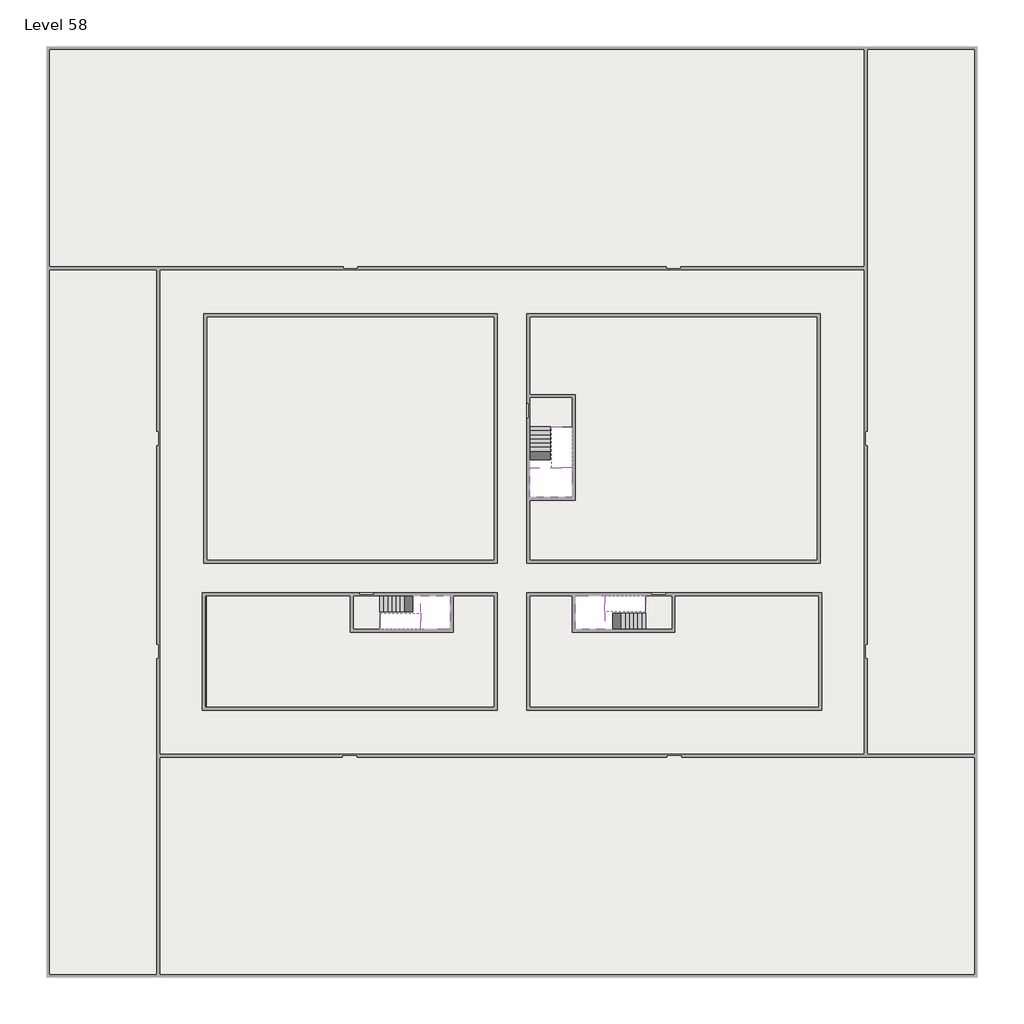
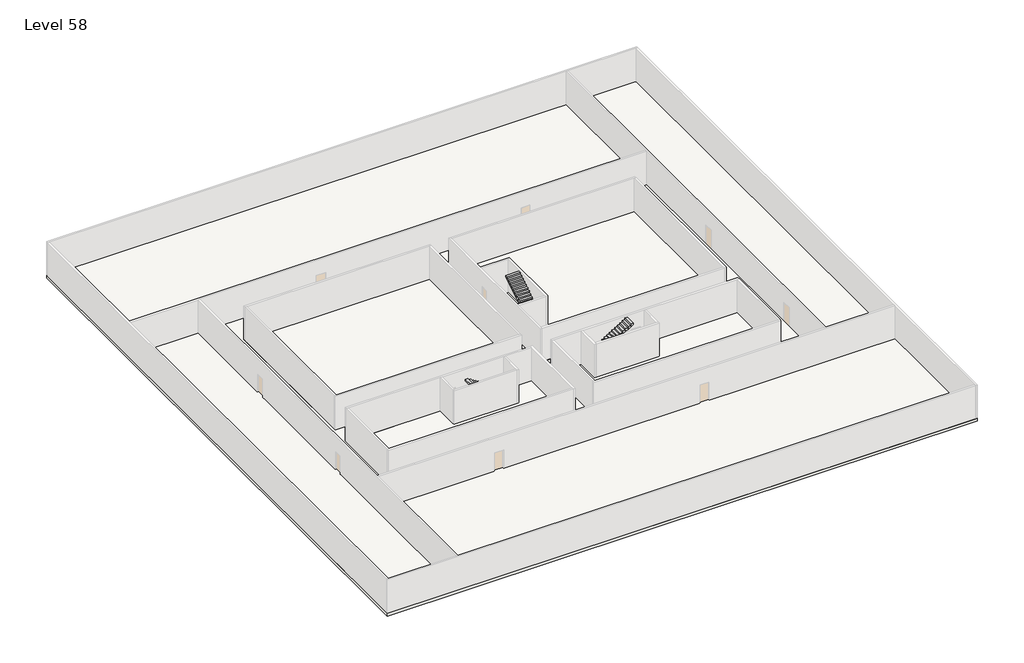
# One storey, part 2 of 2: 6 slabs, 6 stair flights.
"""IFC4 building model written with IfcOpenShell, lengths in millimetres."""

from ifc_helpers import new_model, si_unit, frame, origin, place, context, project, spatial, polyline, outline, extrude, faceted_brep, element, save

model = new_model("IFC4")

# Units and contexts
model_context = context("Model", 3, world=origin())
ifc_project = project(units=[si_unit("LENGTHUNIT", "METRE", prefix="MILLI")], contexts=[model_context])

# Site, building, storey
site = spatial("IfcSite", under=ifc_project)
building = spatial("IfcBuilding", under=site)
storey = spatial("IfcBuildingStorey", under=building, Name="Level 58", Elevation=216600.0)

# Slabs
placement = place(None, origin())
element("IfcSlab", 1, at=placement, inside=storey, context=model_context, shape_type="SweptSolid", body=[
    extrude(outline(polyline([(55890.1058784, -5518.09644), (55890.1058784, -68918.09644), (-7509.8941216, -68918.09644), (-7509.8941216, -5518.09644), (55890.1058784, -5518.09644)]), holes=[polyline([(23190.1058784, -23718.09644), (3190.1058784, -23718.09644), (3190.1058784, -40718.09644), (23190.1058784, -40718.09644), (23190.1058784, -23718.09644)]), polyline([(45190.1058784, -23718.09644), (25190.1058784, -23718.09644), (25190.1058784, -40718.09644), (45190.1058784, -40718.09644), (45190.1058784, -23718.09644)]), polyline([(23190.1058784, -50718.09644), (23190.1058784, -42718.09644), (3390.1058784, -42718.09644), (3390.1058784, -50718.09644), (23190.1058784, -50718.09644)]), polyline([(25190.1058784, -50718.09644), (45190.1058784, -50718.09644), (45190.1058784, -42718.09644), (25190.1058784, -42718.09644), (25190.1058784, -50718.09644)])]), frame((0.0, 0.0, 216300.0), z_axis=(0.0, 0.0, 1.0), x_axis=(1.0, 0.0, 0.0)), (0.0, 0.0, 1.0), 300.0),
])
element("IfcSlab", 2, at=placement, inside=storey, context=model_context, shape_type="Brep", body=[
    faceted_brep([(26790.1058784, -34218.09644, 218500.0), (25390.1058784, -34218.09644, 218500.0), (25390.1058784, -34297.4828763, 218500.0), (25390.1058784, -36218.09644, 218500.0), (28290.1058784, -36218.09644, 218500.0), (28290.1058784, -34418.7100038, 218500.0), (28290.1058784, -34218.09644, 218500.0), (26890.1058784, -34218.09644, 218500.0), (26790.1058784, -34218.09644, 218200.0), (26790.1058784, -34218.09644, 218151.0278478), (25390.1058784, -34218.09644, 218151.0278478), (25390.1058784, -34218.09644, 218327.2727273), (25390.1058784, -34297.4828763, 218200.0), (25390.1058784, -36218.09644, 218200.0), (28290.1058784, -36218.09644, 218200.0), (28290.1058784, -34418.7100038, 218200.0), (28290.1058784, -34218.09644, 218323.7551205), (26890.1058784, -34218.09644, 218323.7551205), (26890.1058784, -34218.09644, 218200.0), (26890.1058784, -34418.7100038, 218200.0), (26790.1058784, -34297.4828763, 218200.0)], [[[0, 1, 2, 3, 4, 5, 6, 7]], [[1, 0, 8, 9, 10, 11]], [[1, 11, 10, 12, 13, 3, 2]], [[4, 3, 13, 14]], [[4, 14, 15, 16, 6, 5]], [[7, 6, 16, 17]], [[0, 7, 17, 18, 8]], [[18, 19, 15, 14, 13, 12, 20, 8]], [[19, 18, 17]], [[20, 12, 10, 9]], [[8, 20, 9]], [[15, 19, 17, 16]]]),
])
element("IfcSlab", 3, at=placement, inside=storey, context=model_context, shape_type="SweptSolid", body=[
    extrude(outline(polyline([(22990.1058784, -23918.09644), (22990.1058784, -40518.09644), (3390.1058784, -40518.09644), (3390.1058784, -23918.09644), (22990.1058784, -23918.09644)])), frame((0.0, 0.0, 216300.0), z_axis=(0.0, 0.0, 1.0), x_axis=(1.0, 0.0, 0.0)), (0.0, 0.0, 1.0), 300.0),
    extrude(outline(polyline([(44990.1058784, -23918.09644), (44990.1058784, -40518.09644), (25390.1058784, -40518.09644), (25390.1058784, -36418.09644), (28490.1058784, -36418.09644), (28490.1058784, -29218.09644), (25390.1058784, -29218.09644), (25390.1058784, -23918.09644), (44990.1058784, -23918.09644)])), frame((0.0, 0.0, 216300.0), z_axis=(0.0, 0.0, 1.0), x_axis=(1.0, 0.0, 0.0)), (0.0, 0.0, 1.0), 300.0),
    extrude(outline(polyline([(22990.1058784, -42918.09644), (22990.1058784, -50518.09644), (3390.1058784, -50518.09644), (3390.1058784, -42918.09644), (13190.1058784, -42918.09644), (13190.1058784, -45418.09644), (20190.1058784, -45418.09644), (20190.1058784, -42918.09644), (22990.1058784, -42918.09644)])), frame((0.0, 0.0, 216300.0), z_axis=(0.0, 0.0, 1.0), x_axis=(1.0, 0.0, 0.0)), (0.0, 0.0, 1.0), 300.0),
    extrude(outline(polyline([(28290.1058784, -42918.09644), (28290.1058784, -45418.09644), (35290.1058784, -45418.09644), (35290.1058784, -42918.09644), (45090.1058784, -42918.09644), (45090.1058784, -50518.09644), (25390.1058784, -50518.09644), (25390.1058784, -42918.09644), (28290.1058784, -42918.09644)])), frame((0.0, 0.0, 216300.0), z_axis=(0.0, 0.0, 1.0), x_axis=(1.0, 0.0, 0.0)), (0.0, 0.0, 1.0), 300.0),
])
element("IfcSlab", 4, at=placement, inside=storey, context=model_context, shape_type="Brep", body=[
    faceted_brep([(30490.1058784, -45218.09644, 218500.0), (30490.1058784, -44118.09644, 218500.0), (30490.1058784, -44018.09644, 218500.0), (30490.1058784, -42918.09644, 218500.0), (30289.4923146, -42918.09644, 218500.0), (28490.1058784, -42918.09644, 218500.0), (28490.1058784, -45218.09644, 218500.0), (30410.7194421, -45218.09644, 218500.0), (30490.1058784, -45218.09644, 218327.2727273), (30490.1058784, -45218.09644, 218151.0278478), (30490.1058784, -44118.09644, 218151.0278478), (30490.1058784, -44118.09644, 218200.0), (30490.1058784, -44018.09644, 218200.0), (30490.1058784, -44018.09644, 218323.7551205), (30490.1058784, -42918.09644, 218323.7551205), (30289.4923146, -42918.09644, 218200.0), (28490.1058784, -42918.09644, 218200.0), (28490.1058784, -45218.09644, 218200.0), (30410.7194421, -45218.09644, 218200.0), (30289.4923146, -44018.09644, 218200.0), (30410.7194421, -44118.09644, 218200.0)], [[[0, 1, 2, 3, 4, 5, 6, 7]], [[1, 0, 8, 9, 10, 11]], [[2, 1, 11, 12, 13]], [[3, 2, 13, 14]], [[3, 14, 15, 16, 5, 4]], [[6, 5, 16, 17]], [[9, 8, 0, 7, 6, 17, 18]], [[19, 12, 11, 20, 18, 17, 16, 15]], [[12, 19, 13]], [[18, 20, 10, 9]], [[20, 11, 10]], [[19, 15, 14, 13]]]),
])
element("IfcSlab", 5, at=placement, inside=storey, context=model_context, shape_type="Brep", body=[
    faceted_brep([(17990.1058784, -42918.09644, 218500.0), (17990.1058784, -44018.09644, 218500.0), (17990.1058784, -44118.09644, 218500.0), (17990.1058784, -45218.09644, 218500.0), (18190.7194421, -45218.09644, 218500.0), (19990.1058784, -45218.09644, 218500.0), (19990.1058784, -42918.09644, 218500.0), (18069.4923146, -42918.09644, 218500.0), (17990.1058784, -42918.09644, 218327.2727273), (17990.1058784, -42918.09644, 218151.0278478), (17990.1058784, -44018.09644, 218151.0278478), (17990.1058784, -44018.09644, 218200.0), (17990.1058784, -44118.09644, 218200.0), (17990.1058784, -44118.09644, 218323.7551205), (17990.1058784, -45218.09644, 218323.7551205), (18190.7194421, -45218.09644, 218200.0), (19990.1058784, -45218.09644, 218200.0), (19990.1058784, -42918.09644, 218200.0), (18069.4923146, -42918.09644, 218200.0), (18190.7194421, -44118.09644, 218200.0), (18069.4923146, -44018.09644, 218200.0)], [[[0, 1, 2, 3, 4, 5, 6, 7]], [[1, 0, 8, 9, 10, 11]], [[2, 1, 11, 12, 13]], [[3, 2, 13, 14]], [[3, 14, 15, 16, 5, 4]], [[6, 5, 16, 17]], [[9, 8, 0, 7, 6, 17, 18]], [[19, 12, 11, 20, 18, 17, 16, 15]], [[12, 19, 13]], [[18, 20, 10, 9]], [[20, 11, 10]], [[19, 15, 14, 13]]]),
])
element("IfcSlab", 6, at=placement, inside=storey, context=model_context, shape_type="SweptSolid", body=[
    extrude(outline(polyline([(25190.1058784, -29418.09644), (28290.1058784, -29418.09644), (28290.1058784, -31418.09644), (25190.1058784, -31418.09644), (25190.1058784, -29418.09644)])), frame((0.0, 0.0, 216300.0), z_axis=(0.0, 0.0, 1.0), x_axis=(1.0, 0.0, 0.0)), (0.0, 0.0, 1.0), 300.0),
    extrude(outline(polyline([(15190.1058784, -45218.09644), (13390.1058784, -45218.09644), (13390.1058784, -42718.09644), (15190.1058784, -42718.09644), (15190.1058784, -45218.09644)])), frame((0.0, 0.0, 216300.0), z_axis=(0.0, 0.0, 1.0), x_axis=(1.0, 0.0, 0.0)), (0.0, 0.0, 1.0), 300.0),
    extrude(outline(polyline([(35090.1058784, -45218.09644), (33290.1058784, -45218.09644), (33290.1058784, -42718.09644), (35090.1058784, -42718.09644), (35090.1058784, -45218.09644)])), frame((0.0, 0.0, 216300.0), z_axis=(0.0, 0.0, 1.0), x_axis=(1.0, 0.0, 0.0)), (0.0, 0.0, 1.0), 300.0),
])

# Stair flights
element("IfcStairFlight", 7, at=placement, inside=storey, context=model_context, shape_type="Brep", body=[
    faceted_brep([(26790.1058784, -31698.09644, 216772.7272727), (26790.1058784, -31418.09644, 216772.7272727), (25390.1058784, -31418.09644, 216772.7272727), (25390.1058784, -31698.09644, 216772.7272727), (26790.1058784, -31698.09644, 216600.0), (26790.1058784, -31418.09644, 216600.0), (25390.1058784, -31418.09644, 216600.0), (25390.1058784, -31698.09644, 216600.0), (26790.1058784, -31978.09644, 216945.4545455), (26790.1058784, -31698.09644, 216945.4545455), (25390.1058784, -31698.09644, 216945.4545455), (25390.1058784, -31978.09644, 216945.4545455), (26790.1058784, -31978.09644, 216769.209666), (26790.1058784, -31703.7986657, 216600.0), (25390.1058784, -31703.7986657, 216600.0), (25390.1058784, -31978.09644, 216769.209666), (26790.1058784, -32258.09644, 217118.1818182), (26790.1058784, -31978.09644, 217118.1818182), (25390.1058784, -31978.09644, 217118.1818182), (25390.1058784, -32258.09644, 217118.1818182), (26790.1058784, -32258.09644, 216941.9369387), (25390.1058784, -32258.09644, 216941.9369387), (26790.1058784, -32538.09644, 217290.9090909), (26790.1058784, -32258.09644, 217290.9090909), (25390.1058784, -32258.09644, 217290.9090909), (25390.1058784, -32538.09644, 217290.9090909), (26790.1058784, -32538.09644, 217114.6642114), (25390.1058784, -32538.09644, 217114.6642114), (26790.1058784, -32818.09644, 217463.6363636), (26790.1058784, -32538.09644, 217463.6363636), (25390.1058784, -32538.09644, 217463.6363636), (25390.1058784, -32818.09644, 217463.6363636), (26790.1058784, -32818.09644, 217287.3914841), (25390.1058784, -32818.09644, 217287.3914841), (26790.1058784, -33098.09644, 217636.3636364), (26790.1058784, -32818.09644, 217636.3636364), (25390.1058784, -32818.09644, 217636.3636364), (25390.1058784, -33098.09644, 217636.3636364), (26790.1058784, -33098.09644, 217460.1187569), (25390.1058784, -33098.09644, 217460.1187569), (26790.1058784, -33378.09644, 217809.0909091), (26790.1058784, -33098.09644, 217809.0909091), (25390.1058784, -33098.09644, 217809.0909091), (25390.1058784, -33378.09644, 217809.0909091), (26790.1058784, -33378.09644, 217632.8460296), (25390.1058784, -33378.09644, 217632.8460296), (26790.1058784, -33658.09644, 217981.8181818), (26790.1058784, -33378.09644, 217981.8181818), (25390.1058784, -33378.09644, 217981.8181818), (25390.1058784, -33658.09644, 217981.8181818), (26790.1058784, -33658.09644, 217805.5733023), (25390.1058784, -33658.09644, 217805.5733023), (26790.1058784, -33938.09644, 218154.5454545), (26790.1058784, -33658.09644, 218154.5454545), (25390.1058784, -33658.09644, 218154.5454545), (25390.1058784, -33938.09644, 218154.5454545), (26790.1058784, -33938.09644, 217978.3005751), (25390.1058784, -33938.09644, 217978.3005751), (26790.1058784, -34218.09644, 218327.2727273), (26790.1058784, -33938.09644, 218327.2727273), (25390.1058784, -33938.09644, 218327.2727273), (25390.1058784, -34218.09644, 218327.2727273), (26790.1058784, -34218.09644, 218200.0), (26790.1058784, -34218.09644, 218151.0278478), (25390.1058784, -34218.09644, 218151.0278478)], [[[0, 1, 2, 3]], [[1, 0, 4, 5]], [[2, 1, 5, 6]], [[3, 2, 6, 7]], [[8, 9, 10, 11]], [[4, 0, 9, 8, 12, 13]], [[0, 3, 10, 9]], [[3, 7, 14, 15, 11, 10]], [[16, 17, 18, 19]], [[17, 16, 20, 12, 8]], [[8, 11, 18, 17]], [[19, 18, 11, 15, 21]], [[22, 23, 24, 25]], [[23, 22, 26, 20, 16]], [[16, 19, 24, 23]], [[25, 24, 19, 21, 27]], [[28, 29, 30, 31]], [[29, 28, 32, 26, 22]], [[22, 25, 30, 29]], [[31, 30, 25, 27, 33]], [[34, 35, 36, 37]], [[35, 34, 38, 32, 28]], [[28, 31, 36, 35]], [[37, 36, 31, 33, 39]], [[40, 41, 42, 43]], [[41, 40, 44, 38, 34]], [[34, 37, 42, 41]], [[43, 42, 37, 39, 45]], [[46, 47, 48, 49]], [[47, 46, 50, 44, 40]], [[40, 43, 48, 47]], [[49, 48, 43, 45, 51]], [[52, 53, 54, 55]], [[53, 52, 56, 50, 46]], [[46, 49, 54, 53]], [[55, 54, 49, 51, 57]], [[58, 59, 60, 61]], [[59, 58, 62, 63, 56, 52]], [[52, 55, 60, 59]], [[61, 60, 55, 57, 64]], [[58, 61, 64, 63, 62]], [[5, 4, 13, 14, 7, 6]], [[14, 13, 12, 20, 26, 32, 38, 44, 50, 56, 63, 64, 57, 51, 45, 39, 33, 27, 21, 15]]]),
])
element("IfcStairFlight", 8, at=placement, inside=storey, context=model_context, shape_type="Brep", body=[
    faceted_brep([(26890.1058784, -33938.09644, 218672.7272727), (26890.1058784, -34218.09644, 218672.7272727), (28290.1058784, -34218.09644, 218672.7272727), (28290.1058784, -33938.09644, 218672.7272727), (26890.1058784, -33938.09644, 218496.4823932), (26890.1058784, -34218.09644, 218323.7551205), (28290.1058784, -34218.09644, 218323.7551205), (28290.1058784, -34218.09644, 218500.0), (28290.1058784, -33938.09644, 218496.4823932), (26890.1058784, -33658.09644, 218845.4545455), (26890.1058784, -33938.09644, 218845.4545455), (28290.1058784, -33938.09644, 218845.4545455), (28290.1058784, -33658.09644, 218845.4545455), (26890.1058784, -33658.09644, 218669.209666), (28290.1058784, -33658.09644, 218669.209666), (26890.1058784, -33378.09644, 219018.1818182), (26890.1058784, -33658.09644, 219018.1818182), (28290.1058784, -33658.09644, 219018.1818182), (28290.1058784, -33378.09644, 219018.1818182), (26890.1058784, -33378.09644, 218841.9369387), (28290.1058784, -33378.09644, 218841.9369387), (26890.1058784, -33098.09644, 219190.9090909), (26890.1058784, -33378.09644, 219190.9090909), (28290.1058784, -33378.09644, 219190.9090909), (28290.1058784, -33098.09644, 219190.9090909), (26890.1058784, -33098.09644, 219014.6642114), (28290.1058784, -33098.09644, 219014.6642114), (26890.1058784, -32818.09644, 219363.6363636), (26890.1058784, -33098.09644, 219363.6363636), (28290.1058784, -33098.09644, 219363.6363636), (28290.1058784, -32818.09644, 219363.6363636), (26890.1058784, -32818.09644, 219187.3914841), (28290.1058784, -32818.09644, 219187.3914841), (26890.1058784, -32538.09644, 219536.3636364), (26890.1058784, -32818.09644, 219536.3636364), (28290.1058784, -32818.09644, 219536.3636364), (28290.1058784, -32538.09644, 219536.3636364), (26890.1058784, -32538.09644, 219360.1187569), (28290.1058784, -32538.09644, 219360.1187569), (26890.1058784, -32258.09644, 219709.0909091), (26890.1058784, -32538.09644, 219709.0909091), (28290.1058784, -32538.09644, 219709.0909091), (28290.1058784, -32258.09644, 219709.0909091), (26890.1058784, -32258.09644, 219532.8460296), (28290.1058784, -32258.09644, 219532.8460296), (26890.1058784, -31978.09644, 219881.8181818), (26890.1058784, -32258.09644, 219881.8181818), (28290.1058784, -32258.09644, 219881.8181818), (28290.1058784, -31978.09644, 219881.8181818), (26890.1058784, -31978.09644, 219705.5733023), (28290.1058784, -31978.09644, 219705.5733023), (26890.1058784, -31698.09644, 220054.5454545), (26890.1058784, -31978.09644, 220054.5454545), (28290.1058784, -31978.09644, 220054.5454545), (28290.1058784, -31698.09644, 220054.5454545), (26890.1058784, -31698.09644, 219878.3005751), (28290.1058784, -31698.09644, 219878.3005751), (26890.1058784, -31418.09644, 220227.2727273), (26890.1058784, -31698.09644, 220227.2727273), (28290.1058784, -31698.09644, 220227.2727273), (28290.1058784, -31418.09644, 220227.2727273), (26890.1058784, -31418.09644, 220051.0278478), (28290.1058784, -31418.09644, 220051.0278478)], [[[0, 1, 2, 3]], [[1, 0, 4, 5]], [[2, 1, 5, 6, 7]], [[3, 2, 7, 6, 8]], [[9, 10, 11, 12]], [[10, 9, 13, 4, 0]], [[11, 10, 0, 3]], [[12, 11, 3, 8, 14]], [[15, 16, 17, 18]], [[16, 15, 19, 13, 9]], [[17, 16, 9, 12]], [[18, 17, 12, 14, 20]], [[21, 22, 23, 24]], [[22, 21, 25, 19, 15]], [[23, 22, 15, 18]], [[24, 23, 18, 20, 26]], [[27, 28, 29, 30]], [[28, 27, 31, 25, 21]], [[29, 28, 21, 24]], [[30, 29, 24, 26, 32]], [[33, 34, 35, 36]], [[34, 33, 37, 31, 27]], [[35, 34, 27, 30]], [[36, 35, 30, 32, 38]], [[39, 40, 41, 42]], [[40, 39, 43, 37, 33]], [[41, 40, 33, 36]], [[42, 41, 36, 38, 44]], [[45, 46, 47, 48]], [[46, 45, 49, 43, 39]], [[47, 46, 39, 42]], [[48, 47, 42, 44, 50]], [[51, 52, 53, 54]], [[52, 51, 55, 49, 45]], [[53, 52, 45, 48]], [[54, 53, 48, 50, 56]], [[57, 58, 59, 60]], [[58, 57, 61, 55, 51]], [[59, 58, 51, 54]], [[60, 59, 54, 56, 62]], [[57, 60, 62, 61]], [[5, 4, 13, 19, 25, 31, 37, 43, 49, 55, 61, 62, 56, 50, 44, 38, 32, 26, 20, 14, 8, 6]]]),
])
element("IfcStairFlight", 9, at=placement, inside=storey, context=model_context, shape_type="Brep", body=[
    faceted_brep([(33010.1058784, -45218.09644, 216772.7272727), (33290.1058784, -45218.09644, 216772.7272727), (33290.1058784, -44118.09644, 216772.7272727), (33010.1058784, -44118.09644, 216772.7272727), (33010.1058784, -45218.09644, 216600.0), (33290.1058784, -45218.09644, 216600.0), (33290.1058784, -44118.09644, 216600.0), (33010.1058784, -44118.09644, 216600.0), (32730.1058784, -45218.09644, 216945.4545455), (33010.1058784, -45218.09644, 216945.4545455), (33010.1058784, -44118.09644, 216945.4545455), (32730.1058784, -44118.09644, 216945.4545455), (32730.1058784, -45218.09644, 216769.209666), (33004.4036527, -45218.09644, 216600.0), (33004.4036527, -44118.09644, 216600.0), (32730.1058784, -44118.09644, 216769.209666), (32450.1058784, -45218.09644, 217118.1818182), (32730.1058784, -45218.09644, 217118.1818182), (32730.1058784, -44118.09644, 217118.1818182), (32450.1058784, -44118.09644, 217118.1818182), (32450.1058784, -45218.09644, 216941.9369387), (32450.1058784, -44118.09644, 216941.9369387), (32170.1058784, -45218.09644, 217290.9090909), (32450.1058784, -45218.09644, 217290.9090909), (32450.1058784, -44118.09644, 217290.9090909), (32170.1058784, -44118.09644, 217290.9090909), (32170.1058784, -45218.09644, 217114.6642114), (32170.1058784, -44118.09644, 217114.6642114), (31890.1058784, -45218.09644, 217463.6363636), (32170.1058784, -45218.09644, 217463.6363636), (32170.1058784, -44118.09644, 217463.6363636), (31890.1058784, -44118.09644, 217463.6363636), (31890.1058784, -45218.09644, 217287.3914841), (31890.1058784, -44118.09644, 217287.3914841), (31610.1058784, -45218.09644, 217636.3636364), (31890.1058784, -45218.09644, 217636.3636364), (31890.1058784, -44118.09644, 217636.3636364), (31610.1058784, -44118.09644, 217636.3636364), (31610.1058784, -45218.09644, 217460.1187569), (31610.1058784, -44118.09644, 217460.1187569), (31330.1058784, -45218.09644, 217809.0909091), (31610.1058784, -45218.09644, 217809.0909091), (31610.1058784, -44118.09644, 217809.0909091), (31330.1058784, -44118.09644, 217809.0909091), (31330.1058784, -45218.09644, 217632.8460296), (31330.1058784, -44118.09644, 217632.8460296), (31050.1058784, -45218.09644, 217981.8181818), (31330.1058784, -45218.09644, 217981.8181818), (31330.1058784, -44118.09644, 217981.8181818), (31050.1058784, -44118.09644, 217981.8181818), (31050.1058784, -45218.09644, 217805.5733023), (31050.1058784, -44118.09644, 217805.5733023), (30770.1058784, -45218.09644, 218154.5454545), (31050.1058784, -45218.09644, 218154.5454545), (31050.1058784, -44118.09644, 218154.5454545), (30770.1058784, -44118.09644, 218154.5454545), (30770.1058784, -45218.09644, 217978.3005751), (30770.1058784, -44118.09644, 217978.3005751), (30490.1058784, -45218.09644, 218327.2727273), (30770.1058784, -45218.09644, 218327.2727273), (30770.1058784, -44118.09644, 218327.2727273), (30490.1058784, -44118.09644, 218327.2727273), (30490.1058784, -45218.09644, 218151.0278478), (30490.1058784, -44118.09644, 218151.0278478), (30490.1058784, -44118.09644, 218200.0)], [[[0, 1, 2, 3]], [[1, 0, 4, 5]], [[2, 1, 5, 6]], [[3, 2, 6, 7]], [[8, 9, 10, 11]], [[4, 0, 9, 8, 12, 13]], [[0, 3, 10, 9]], [[3, 7, 14, 15, 11, 10]], [[16, 17, 18, 19]], [[17, 16, 20, 12, 8]], [[8, 11, 18, 17]], [[19, 18, 11, 15, 21]], [[22, 23, 24, 25]], [[23, 22, 26, 20, 16]], [[16, 19, 24, 23]], [[25, 24, 19, 21, 27]], [[28, 29, 30, 31]], [[29, 28, 32, 26, 22]], [[22, 25, 30, 29]], [[31, 30, 25, 27, 33]], [[34, 35, 36, 37]], [[35, 34, 38, 32, 28]], [[28, 31, 36, 35]], [[37, 36, 31, 33, 39]], [[40, 41, 42, 43]], [[41, 40, 44, 38, 34]], [[34, 37, 42, 41]], [[43, 42, 37, 39, 45]], [[46, 47, 48, 49]], [[47, 46, 50, 44, 40]], [[40, 43, 48, 47]], [[49, 48, 43, 45, 51]], [[52, 53, 54, 55]], [[53, 52, 56, 50, 46]], [[46, 49, 54, 53]], [[55, 54, 49, 51, 57]], [[58, 59, 60, 61]], [[59, 58, 62, 56, 52]], [[52, 55, 60, 59]], [[61, 60, 55, 57, 63, 64]], [[58, 61, 64, 63, 62]], [[5, 4, 13, 14, 7, 6]], [[14, 13, 12, 20, 26, 32, 38, 44, 50, 56, 62, 63, 57, 51, 45, 39, 33, 27, 21, 15]]]),
])
element("IfcStairFlight", 10, at=placement, inside=storey, context=model_context, shape_type="Brep", body=[
    faceted_brep([(30770.1058784, -42918.09644, 218672.7272727), (30490.1058784, -42918.09644, 218672.7272727), (30490.1058784, -44018.09644, 218672.7272727), (30770.1058784, -44018.09644, 218672.7272727), (30770.1058784, -42918.09644, 218496.4823932), (30490.1058784, -42918.09644, 218323.7551205), (30490.1058784, -42918.09644, 218500.0), (30490.1058784, -44018.09644, 218323.7551205), (30770.1058784, -44018.09644, 218496.4823932), (31050.1058784, -42918.09644, 218845.4545455), (30770.1058784, -42918.09644, 218845.4545455), (30770.1058784, -44018.09644, 218845.4545455), (31050.1058784, -44018.09644, 218845.4545455), (31050.1058784, -42918.09644, 218669.209666), (31050.1058784, -44018.09644, 218669.209666), (31330.1058784, -42918.09644, 219018.1818182), (31050.1058784, -42918.09644, 219018.1818182), (31050.1058784, -44018.09644, 219018.1818182), (31330.1058784, -44018.09644, 219018.1818182), (31330.1058784, -42918.09644, 218841.9369387), (31330.1058784, -44018.09644, 218841.9369387), (31610.1058784, -42918.09644, 219190.9090909), (31330.1058784, -42918.09644, 219190.9090909), (31330.1058784, -44018.09644, 219190.9090909), (31610.1058784, -44018.09644, 219190.9090909), (31610.1058784, -42918.09644, 219014.6642114), (31610.1058784, -44018.09644, 219014.6642114), (31890.1058784, -42918.09644, 219363.6363636), (31610.1058784, -42918.09644, 219363.6363636), (31610.1058784, -44018.09644, 219363.6363636), (31890.1058784, -44018.09644, 219363.6363636), (31890.1058784, -42918.09644, 219187.3914841), (31890.1058784, -44018.09644, 219187.3914841), (32170.1058784, -42918.09644, 219536.3636364), (31890.1058784, -42918.09644, 219536.3636364), (31890.1058784, -44018.09644, 219536.3636364), (32170.1058784, -44018.09644, 219536.3636364), (32170.1058784, -42918.09644, 219360.1187569), (32170.1058784, -44018.09644, 219360.1187569), (32450.1058784, -42918.09644, 219709.0909091), (32170.1058784, -42918.09644, 219709.0909091), (32170.1058784, -44018.09644, 219709.0909091), (32450.1058784, -44018.09644, 219709.0909091), (32450.1058784, -42918.09644, 219532.8460296), (32450.1058784, -44018.09644, 219532.8460296), (32730.1058784, -42918.09644, 219881.8181818), (32450.1058784, -42918.09644, 219881.8181818), (32450.1058784, -44018.09644, 219881.8181818), (32730.1058784, -44018.09644, 219881.8181818), (32730.1058784, -42918.09644, 219705.5733023), (32730.1058784, -44018.09644, 219705.5733023), (33010.1058784, -42918.09644, 220054.5454545), (32730.1058784, -42918.09644, 220054.5454545), (32730.1058784, -44018.09644, 220054.5454545), (33010.1058784, -44018.09644, 220054.5454545), (33010.1058784, -42918.09644, 219878.3005751), (33010.1058784, -44018.09644, 219878.3005751), (33290.1058784, -42918.09644, 220227.2727273), (33010.1058784, -42918.09644, 220227.2727273), (33010.1058784, -44018.09644, 220227.2727273), (33290.1058784, -44018.09644, 220227.2727273), (33290.1058784, -42918.09644, 220051.0278478), (33290.1058784, -44018.09644, 220051.0278478)], [[[0, 1, 2, 3]], [[1, 0, 4, 5, 6]], [[2, 1, 6, 5, 7]], [[3, 2, 7, 8]], [[9, 10, 11, 12]], [[10, 9, 13, 4, 0]], [[11, 10, 0, 3]], [[12, 11, 3, 8, 14]], [[15, 16, 17, 18]], [[16, 15, 19, 13, 9]], [[17, 16, 9, 12]], [[18, 17, 12, 14, 20]], [[21, 22, 23, 24]], [[22, 21, 25, 19, 15]], [[23, 22, 15, 18]], [[24, 23, 18, 20, 26]], [[27, 28, 29, 30]], [[28, 27, 31, 25, 21]], [[29, 28, 21, 24]], [[30, 29, 24, 26, 32]], [[33, 34, 35, 36]], [[34, 33, 37, 31, 27]], [[35, 34, 27, 30]], [[36, 35, 30, 32, 38]], [[39, 40, 41, 42]], [[40, 39, 43, 37, 33]], [[41, 40, 33, 36]], [[42, 41, 36, 38, 44]], [[45, 46, 47, 48]], [[46, 45, 49, 43, 39]], [[47, 46, 39, 42]], [[48, 47, 42, 44, 50]], [[51, 52, 53, 54]], [[52, 51, 55, 49, 45]], [[53, 52, 45, 48]], [[54, 53, 48, 50, 56]], [[57, 58, 59, 60]], [[58, 57, 61, 55, 51]], [[59, 58, 51, 54]], [[60, 59, 54, 56, 62]], [[57, 60, 62, 61]], [[5, 4, 13, 19, 25, 31, 37, 43, 49, 55, 61, 62, 56, 50, 44, 38, 32, 26, 20, 14, 8, 7]]]),
])
element("IfcStairFlight", 11, at=placement, inside=storey, context=model_context, shape_type="Brep", body=[
    faceted_brep([(15470.1058784, -42918.09644, 216772.7272727), (15190.1058784, -42918.09644, 216772.7272727), (15190.1058784, -44018.09644, 216772.7272727), (15470.1058784, -44018.09644, 216772.7272727), (15470.1058784, -42918.09644, 216600.0), (15190.1058784, -42918.09644, 216600.0), (15190.1058784, -44018.09644, 216600.0), (15470.1058784, -44018.09644, 216600.0), (15750.1058784, -42918.09644, 216945.4545455), (15470.1058784, -42918.09644, 216945.4545455), (15470.1058784, -44018.09644, 216945.4545455), (15750.1058784, -44018.09644, 216945.4545455), (15750.1058784, -42918.09644, 216769.209666), (15475.8081041, -42918.09644, 216600.0), (15475.8081041, -44018.09644, 216600.0), (15750.1058784, -44018.09644, 216769.209666), (16030.1058784, -42918.09644, 217118.1818182), (15750.1058784, -42918.09644, 217118.1818182), (15750.1058784, -44018.09644, 217118.1818182), (16030.1058784, -44018.09644, 217118.1818182), (16030.1058784, -42918.09644, 216941.9369387), (16030.1058784, -44018.09644, 216941.9369387), (16310.1058784, -42918.09644, 217290.9090909), (16030.1058784, -42918.09644, 217290.9090909), (16030.1058784, -44018.09644, 217290.9090909), (16310.1058784, -44018.09644, 217290.9090909), (16310.1058784, -42918.09644, 217114.6642114), (16310.1058784, -44018.09644, 217114.6642114), (16590.1058784, -42918.09644, 217463.6363636), (16310.1058784, -42918.09644, 217463.6363636), (16310.1058784, -44018.09644, 217463.6363636), (16590.1058784, -44018.09644, 217463.6363636), (16590.1058784, -42918.09644, 217287.3914841), (16590.1058784, -44018.09644, 217287.3914841), (16870.1058784, -42918.09644, 217636.3636364), (16590.1058784, -42918.09644, 217636.3636364), (16590.1058784, -44018.09644, 217636.3636364), (16870.1058784, -44018.09644, 217636.3636364), (16870.1058784, -42918.09644, 217460.1187569), (16870.1058784, -44018.09644, 217460.1187569), (17150.1058784, -42918.09644, 217809.0909091), (16870.1058784, -42918.09644, 217809.0909091), (16870.1058784, -44018.09644, 217809.0909091), (17150.1058784, -44018.09644, 217809.0909091), (17150.1058784, -42918.09644, 217632.8460296), (17150.1058784, -44018.09644, 217632.8460296), (17430.1058784, -42918.09644, 217981.8181818), (17150.1058784, -42918.09644, 217981.8181818), (17150.1058784, -44018.09644, 217981.8181818), (17430.1058784, -44018.09644, 217981.8181818), (17430.1058784, -42918.09644, 217805.5733023), (17430.1058784, -44018.09644, 217805.5733023), (17710.1058784, -42918.09644, 218154.5454545), (17430.1058784, -42918.09644, 218154.5454545), (17430.1058784, -44018.09644, 218154.5454545), (17710.1058784, -44018.09644, 218154.5454545), (17710.1058784, -42918.09644, 217978.3005751), (17710.1058784, -44018.09644, 217978.3005751), (17990.1058784, -42918.09644, 218327.2727273), (17710.1058784, -42918.09644, 218327.2727273), (17710.1058784, -44018.09644, 218327.2727273), (17990.1058784, -44018.09644, 218327.2727273), (17990.1058784, -42918.09644, 218151.0278478), (17990.1058784, -44018.09644, 218151.0278478), (17990.1058784, -44018.09644, 218200.0)], [[[0, 1, 2, 3]], [[1, 0, 4, 5]], [[2, 1, 5, 6]], [[3, 2, 6, 7]], [[8, 9, 10, 11]], [[4, 0, 9, 8, 12, 13]], [[0, 3, 10, 9]], [[3, 7, 14, 15, 11, 10]], [[16, 17, 18, 19]], [[17, 16, 20, 12, 8]], [[8, 11, 18, 17]], [[19, 18, 11, 15, 21]], [[22, 23, 24, 25]], [[23, 22, 26, 20, 16]], [[16, 19, 24, 23]], [[25, 24, 19, 21, 27]], [[28, 29, 30, 31]], [[29, 28, 32, 26, 22]], [[22, 25, 30, 29]], [[31, 30, 25, 27, 33]], [[34, 35, 36, 37]], [[35, 34, 38, 32, 28]], [[28, 31, 36, 35]], [[37, 36, 31, 33, 39]], [[40, 41, 42, 43]], [[41, 40, 44, 38, 34]], [[34, 37, 42, 41]], [[43, 42, 37, 39, 45]], [[46, 47, 48, 49]], [[47, 46, 50, 44, 40]], [[40, 43, 48, 47]], [[49, 48, 43, 45, 51]], [[52, 53, 54, 55]], [[53, 52, 56, 50, 46]], [[46, 49, 54, 53]], [[55, 54, 49, 51, 57]], [[58, 59, 60, 61]], [[59, 58, 62, 56, 52]], [[52, 55, 60, 59]], [[61, 60, 55, 57, 63, 64]], [[58, 61, 64, 63, 62]], [[5, 4, 13, 14, 7, 6]], [[14, 13, 12, 20, 26, 32, 38, 44, 50, 56, 62, 63, 57, 51, 45, 39, 33, 27, 21, 15]]]),
])
element("IfcStairFlight", 12, at=placement, inside=storey, context=model_context, shape_type="Brep", body=[
    faceted_brep([(17710.1058784, -45218.09644, 218672.7272727), (17990.1058784, -45218.09644, 218672.7272727), (17990.1058784, -44118.09644, 218672.7272727), (17710.1058784, -44118.09644, 218672.7272727), (17710.1058784, -45218.09644, 218496.4823932), (17990.1058784, -45218.09644, 218323.7551205), (17990.1058784, -45218.09644, 218500.0), (17990.1058784, -44118.09644, 218323.7551205), (17710.1058784, -44118.09644, 218496.4823932), (17430.1058784, -45218.09644, 218845.4545455), (17710.1058784, -45218.09644, 218845.4545455), (17710.1058784, -44118.09644, 218845.4545455), (17430.1058784, -44118.09644, 218845.4545455), (17430.1058784, -45218.09644, 218669.209666), (17430.1058784, -44118.09644, 218669.209666), (17150.1058784, -45218.09644, 219018.1818182), (17430.1058784, -45218.09644, 219018.1818182), (17430.1058784, -44118.09644, 219018.1818182), (17150.1058784, -44118.09644, 219018.1818182), (17150.1058784, -45218.09644, 218841.9369387), (17150.1058784, -44118.09644, 218841.9369387), (16870.1058784, -45218.09644, 219190.9090909), (17150.1058784, -45218.09644, 219190.9090909), (17150.1058784, -44118.09644, 219190.9090909), (16870.1058784, -44118.09644, 219190.9090909), (16870.1058784, -45218.09644, 219014.6642114), (16870.1058784, -44118.09644, 219014.6642114), (16590.1058784, -45218.09644, 219363.6363636), (16870.1058784, -45218.09644, 219363.6363636), (16870.1058784, -44118.09644, 219363.6363636), (16590.1058784, -44118.09644, 219363.6363636), (16590.1058784, -45218.09644, 219187.3914841), (16590.1058784, -44118.09644, 219187.3914841), (16310.1058784, -45218.09644, 219536.3636364), (16590.1058784, -45218.09644, 219536.3636364), (16590.1058784, -44118.09644, 219536.3636364), (16310.1058784, -44118.09644, 219536.3636364), (16310.1058784, -45218.09644, 219360.1187569), (16310.1058784, -44118.09644, 219360.1187569), (16030.1058784, -45218.09644, 219709.0909091), (16310.1058784, -45218.09644, 219709.0909091), (16310.1058784, -44118.09644, 219709.0909091), (16030.1058784, -44118.09644, 219709.0909091), (16030.1058784, -45218.09644, 219532.8460296), (16030.1058784, -44118.09644, 219532.8460296), (15750.1058784, -45218.09644, 219881.8181818), (16030.1058784, -45218.09644, 219881.8181818), (16030.1058784, -44118.09644, 219881.8181818), (15750.1058784, -44118.09644, 219881.8181818), (15750.1058784, -45218.09644, 219705.5733023), (15750.1058784, -44118.09644, 219705.5733023), (15470.1058784, -45218.09644, 220054.5454545), (15750.1058784, -45218.09644, 220054.5454545), (15750.1058784, -44118.09644, 220054.5454545), (15470.1058784, -44118.09644, 220054.5454545), (15470.1058784, -45218.09644, 219878.3005751), (15470.1058784, -44118.09644, 219878.3005751), (15190.1058784, -45218.09644, 220227.2727273), (15470.1058784, -45218.09644, 220227.2727273), (15470.1058784, -44118.09644, 220227.2727273), (15190.1058784, -44118.09644, 220227.2727273), (15190.1058784, -45218.09644, 220051.0278478), (15190.1058784, -44118.09644, 220051.0278478)], [[[0, 1, 2, 3]], [[1, 0, 4, 5, 6]], [[2, 1, 6, 5, 7]], [[3, 2, 7, 8]], [[9, 10, 11, 12]], [[10, 9, 13, 4, 0]], [[11, 10, 0, 3]], [[12, 11, 3, 8, 14]], [[15, 16, 17, 18]], [[16, 15, 19, 13, 9]], [[17, 16, 9, 12]], [[18, 17, 12, 14, 20]], [[21, 22, 23, 24]], [[22, 21, 25, 19, 15]], [[23, 22, 15, 18]], [[24, 23, 18, 20, 26]], [[27, 28, 29, 30]], [[28, 27, 31, 25, 21]], [[29, 28, 21, 24]], [[30, 29, 24, 26, 32]], [[33, 34, 35, 36]], [[34, 33, 37, 31, 27]], [[35, 34, 27, 30]], [[36, 35, 30, 32, 38]], [[39, 40, 41, 42]], [[40, 39, 43, 37, 33]], [[41, 40, 33, 36]], [[42, 41, 36, 38, 44]], [[45, 46, 47, 48]], [[46, 45, 49, 43, 39]], [[47, 46, 39, 42]], [[48, 47, 42, 44, 50]], [[51, 52, 53, 54]], [[52, 51, 55, 49, 45]], [[53, 52, 45, 48]], [[54, 53, 48, 50, 56]], [[57, 58, 59, 60]], [[58, 57, 61, 55, 51]], [[59, 58, 51, 54]], [[60, 59, 54, 56, 62]], [[57, 60, 62, 61]], [[5, 4, 13, 19, 25, 31, 37, 43, 49, 55, 61, 62, 56, 50, 44, 38, 32, 26, 20, 14, 8, 7]]]),
])

save(model, "model.ifc")
